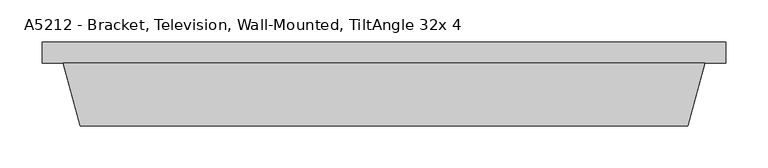
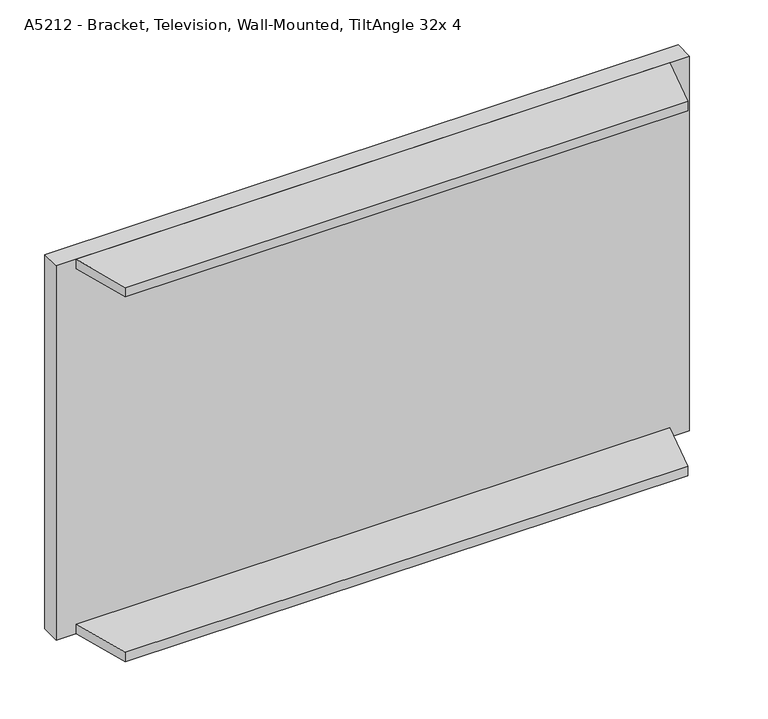
"""IFC4 building model written with IfcOpenShell, lengths in millimetres: proxy geometry, A5212 - Bracket, Television, Wall-Mounted, TiltAngle 32x 4."""

from ifc_helpers import new_model, si_unit, frame, origin, origin_with_axes, place, context, project, spatial, polyline, outline, extrude, source, transform, mapped, element, save


def a5212_bracket_television_wall_mounted_tiltangle_32x_4_8d2e6d10(model_context):
    return source(origin(), model_context, "Body", "SweptSolid", [
        extrude(outline(polyline([(25.4, 74.6), (787.4, 74.6), (767.4109902, 0.0), (45.3890098, 0.0), (25.4, 74.6)])), frame((0.0, 0.0, 495.3), z_axis=(0.0, 0.0, 1.0), x_axis=(1.0, 0.0, 0.0)), (0.0, 0.0, 1.0), 12.7),
        extrude(outline(polyline([(25.4, 74.6), (787.4, 74.6), (767.4109902, 0.0), (45.3890098, 0.0), (25.4, 74.6)])), origin_with_axes(), (0.0, 0.0, 1.0), 12.7),
        extrude(outline(polyline([(812.8, 100.0), (812.8, 74.6), (0.0, 74.6), (0.0, 100.0), (812.8, 100.0)])), origin_with_axes(), (0.0, 0.0, 1.0), 508.0),
    ])


if __name__ == "__main__":
    model = new_model("IFC4")
    model_context = context("Model", 3, world=origin())
    ifc_project = project(units=[si_unit("LENGTHUNIT", "METRE", prefix="MILLI")], contexts=[model_context])
    site = spatial("IfcSite", under=ifc_project)
    building = spatial("IfcBuilding", under=site)
    placement = place(None, origin())
    a5212_bracket_television_wall_mounted_tiltangle_32x_4_shape = a5212_bracket_television_wall_mounted_tiltangle_32x_4_8d2e6d10(model_context)
    element("IfcBuildingElementProxy", 1, Name="A5212 - Bracket, Television, Wall-Mounted, TiltAngle 32x 4", ObjectType="A5212 - Bracket, Television, Wall-Mounted, TiltAngle 32x 4", at=placement, inside=building, context=model_context, shape_type="MappedRepresentation", body=[
        mapped(a5212_bracket_television_wall_mounted_tiltangle_32x_4_shape, transform((0.0, 0.0, 0.0), x_axis=(1.0, 0.0, 0.0), y_axis=(0.0, 1.0, 0.0), z_axis=(0.0, 0.0, 1.0))),
    ])
    save(model, "model.ifc")
